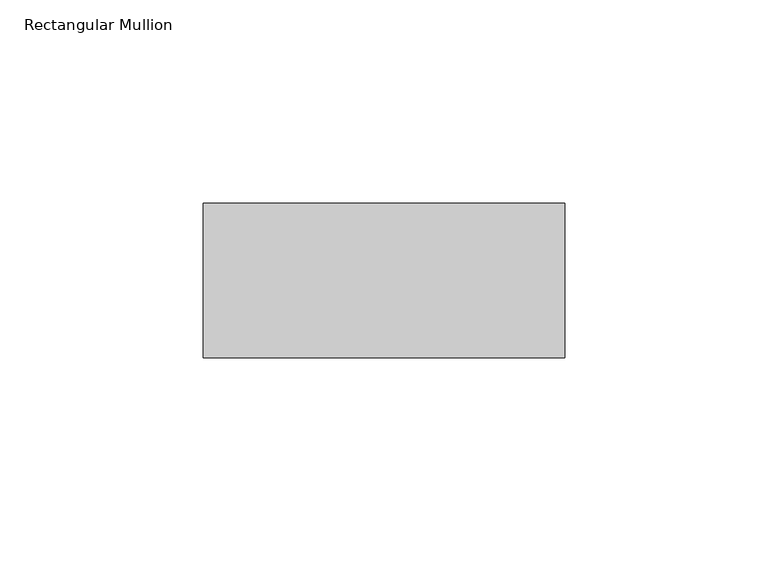
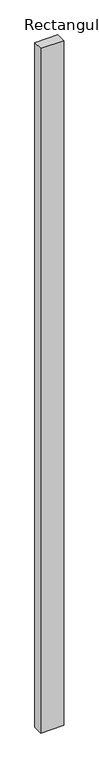
"""IFC4 building model written with IfcOpenShell, lengths in millimetres: member geometry, Rectangular Mullion."""

import ifcopenshell
import ifcopenshell.guid

model = None  # the IFC model being written
_history = None  # IfcOwnerHistory: only IFC2X3 demands one
_inside = {}  # id of a spatial element -> (the spatial element, [elements in it])
_under = {}  # id of a project, library or spatial element -> (it, [spatial elements below it])
_declared = {}  # id of a project -> (the project, [libraries it declares])
_typed = {}  # id of a type object -> (the type object, [elements of that type])
_made_of = {}  # id of a material, layer set ... -> (it, [elements and type objects made of it])


def new_model(schema):
    """Start an empty IFC model of exactly this schema.

    Asked for "IFC4X3", IfcOpenShell would pick the latest addendum, in which some entities
    have other attributes; the version numbers below select the first issue.
    IFC2X3 requires an IfcOwnerHistory on every rooted entity: one is made here for all.
    """
    global model, _history
    if schema == "IFC4X3":
        model = ifcopenshell.file(schema_version=(4, 3, 0, 0))
    else:
        model = ifcopenshell.file(schema=schema)
    _inside.clear()
    _under.clear()
    _declared.clear()
    _typed.clear()
    _made_of.clear()
    _history = None
    if model.schema == "IFC2X3":
        org = make("IfcOrganization", Name="unknown")
        user = make(
            "IfcPersonAndOrganization",
            ThePerson=make("IfcPerson", FamilyName="unknown"),
            TheOrganization=org,
        )
        app = make(
            "IfcApplication",
            ApplicationDeveloper=org,
            Version="unknown",
            ApplicationFullName="unknown",
            ApplicationIdentifier="unknown",
        )
        _history = make(
            "IfcOwnerHistory",
            OwningUser=user,
            OwningApplication=app,
            ChangeAction="ADDED",
            CreationDate=0,
        )
    return model


def make(cls, **values):
    """One entity of the class cls with the attributes given. An attribute that is None is left unset."""
    return model.create_entity(
        cls, **{name: value for name, value in values.items() if value is not None}
    )


def rooted(cls, **values):
    """An entity with a GlobalId (a new one), such as an element, a storey or a relation."""
    return make(cls, GlobalId=ifcopenshell.guid.new(), OwnerHistory=_history, **values)


def si_unit(unit_type, name, prefix=None):
    """IfcSIUnit, for example si_unit("LENGTHUNIT", "METRE", prefix="MILLI")."""
    return make("IfcSIUnit", UnitType=unit_type, Prefix=prefix, Name=name)


def assignment(units):
    """IfcUnitAssignment: the units of a project."""
    return None if units is None else make("IfcUnitAssignment", Units=units)


def point(xyz):
    """IfcCartesianPoint."""
    return None if xyz is None else make("IfcCartesianPoint", Coordinates=xyz)


def direction(xyz):
    """IfcDirection."""
    return None if xyz is None else make("IfcDirection", DirectionRatios=xyz)


def frame(location, z_axis=None, x_axis=None):
    """IfcAxis2Placement3D, a coordinate frame: its origin and axes. An axis left out is left unset."""
    return make(
        "IfcAxis2Placement3D",
        Location=point(location),
        Axis=direction(z_axis),
        RefDirection=direction(x_axis),
    )


def origin():
    """The frame at (0, 0, 0) with its axes left unset."""
    return frame((0.0, 0.0, 0.0))


def place(relative_to, where):
    """IfcLocalPlacement: puts the frame where relative to a parent placement (None: the world)."""
    return make(
        "IfcLocalPlacement", PlacementRelTo=relative_to, RelativePlacement=where
    )


def context(
    kind, dimensions, precision=None, world=None, true_north=None, identifier=None
):
    """IfcGeometricRepresentationContext, for example the 3D "Model" context."""
    return make(
        "IfcGeometricRepresentationContext",
        ContextIdentifier=identifier,
        ContextType=kind,
        CoordinateSpaceDimension=dimensions,
        Precision=precision,
        WorldCoordinateSystem=world,
        TrueNorth=true_north,
    )


def project(units=None, contexts=None):
    """IfcProject with its units and contexts."""
    return rooted(
        "IfcProject",
        Name="project",
        RepresentationContexts=contexts,
        UnitsInContext=assignment(units),
    )


def spatial(cls, under=None, at=None, **own):
    """A site, building, storey or space (cls), placed at a placement, below another one or the project."""
    s = rooted(cls, ObjectPlacement=at, **own)
    if under is not None:
        _under.setdefault(under.id(), (under, []))[1].append(s)
    return s


def polyline(points):
    """IfcPolyline through the points."""
    return make("IfcPolyline", Points=[point(p) for p in points])


def outline(outer, holes=None, kind="AREA"):
    """IfcArbitraryClosedProfileDef: a profile drawn as a closed curve; with holes, ...WithVoids."""
    if holes is None:
        return make("IfcArbitraryClosedProfileDef", ProfileType=kind, OuterCurve=outer)
    return make(
        "IfcArbitraryProfileDefWithVoids",
        ProfileType=kind,
        OuterCurve=outer,
        InnerCurves=holes,
    )


def extrude(swept, where, along, depth):
    """IfcExtrudedAreaSolid: the profile swept, set in the frame where, extruded along a direction by depth."""
    return make(
        "IfcExtrudedAreaSolid",
        SweptArea=swept,
        Position=where,
        ExtrudedDirection=direction(along),
        Depth=depth,
    )


def shape(context_of_items, identifier, shape_type, items):
    """IfcShapeRepresentation: the items that make up one representation, for example the "Body"."""
    return make(
        "IfcShapeRepresentation",
        ContextOfItems=context_of_items,
        RepresentationIdentifier=identifier,
        RepresentationType=shape_type,
        Items=items,
    )


def source(mapping_origin, context_of_items, identifier, shape_type, items):
    """IfcRepresentationMap: a shape defined once, which mapped items show again and again."""
    return make(
        "IfcRepresentationMap",
        MappingOrigin=mapping_origin,
        MappedRepresentation=shape(context_of_items, identifier, shape_type, items),
    )


def transform(
    local_origin,
    x_axis=None,
    y_axis=None,
    z_axis=None,
    scale=None,
    scale2=None,
    scale3=None,
    uniform=True,
):
    """IfcCartesianTransformationOperator3D, or its non-uniform kind. x_axis, y_axis, z_axis: its Axis1, 2, 3."""
    if uniform:
        return make(
            "IfcCartesianTransformationOperator3D",
            Axis1=direction(x_axis),
            Axis2=direction(y_axis),
            LocalOrigin=point(local_origin),
            Scale=scale,
            Axis3=direction(z_axis),
        )
    return make(
        "IfcCartesianTransformationOperator3DnonUniform",
        Axis1=direction(x_axis),
        Axis2=direction(y_axis),
        LocalOrigin=point(local_origin),
        Scale=scale,
        Axis3=direction(z_axis),
        Scale2=scale2,
        Scale3=scale3,
    )


def mapped(mapping_source, mapping_target):
    """IfcMappedItem: shows the shape of a source again, moved by a transform."""
    return make(
        "IfcMappedItem", MappingSource=mapping_source, MappingTarget=mapping_target
    )


def made_of(thing, what):
    """Note that an element or type object is made of a material, layer set ...; save() writes the relation."""
    if what is not None:
        _made_of.setdefault(what.id(), (what, []))[1].append(thing)
    return thing


def element(
    cls,
    number,
    at=None,
    inside=None,
    cuts=None,
    type_object=None,
    material=None,
    context=None,
    identifier="Body",
    shape_type=None,
    held_by="IfcProductDefinitionShape",
    body=None,
    shapes=None,
    **own,
):
    """One element of the class cls, such as IfcWall. Its Tag is "e" and its number.

    at: its placement. inside: the storey or other place that contains it. cuts: it is an
    opening in that element (IfcRelVoidsElement). A single representation is given by context,
    identifier, shape_type and body (its items); several are given by shapes. held_by: the class
    of the entity that holds the representations. save() writes the other relations.
    """
    e = rooted(cls, Tag="e%d" % number, ObjectPlacement=at, **own)
    if body is not None:
        shapes = [shape(context, identifier, shape_type, body)]
    if shapes is not None:
        e.Representation = make(held_by, Representations=shapes)
    if inside is not None:
        _inside.setdefault(inside.id(), (inside, []))[1].append(e)
    if cuts is not None:
        rooted(
            "IfcRelVoidsElement", RelatingBuildingElement=cuts, RelatedOpeningElement=e
        )
    if type_object is not None:
        _typed.setdefault(type_object.id(), (type_object, []))[1].append(e)
    return made_of(e, material)


def aggregate(whole, parts):
    """IfcRelAggregates: a whole, such as a stair, and the parts it consists of."""
    return rooted("IfcRelAggregates", RelatingObject=whole, RelatedObjects=parts)


def save(model, path):
    """Write the relations noted so far, then the file.

    IfcRelAggregates (storeys below a building ...), IfcRelContainedInSpatialStructure (elements
    in a storey), IfcRelDefinesByType, IfcRelAssociatesMaterial and IfcRelDeclares: one each for
    every whole, place, type object, material and project.
    """
    for whole, parts in _under.values():
        aggregate(whole, parts)
    for where, things in _inside.values():
        rooted(
            "IfcRelContainedInSpatialStructure",
            RelatedElements=things,
            RelatingStructure=where,
        )
    for kind, things in _typed.values():
        rooted("IfcRelDefinesByType", RelatedObjects=things, RelatingType=kind)
    for what, things in _made_of.values():
        rooted("IfcRelAssociatesMaterial", RelatedObjects=things, RelatingMaterial=what)
    for by, libraries in _declared.values():
        rooted("IfcRelDeclares", RelatingContext=by, RelatedDefinitions=libraries)
    model.write(path)


def rectangular_mullion_7e4909e3(model_context):
    return source(origin(), model_context, "Body", "SweptSolid", [
        extrude(outline(polyline([(0.0, 58.0), (0.0, 20.0), (-89.0, 20.0), (-89.0, 58.0), (0.0, 58.0)])), frame((0.0, 0.0, -2800.0), z_axis=(0.0, 0.0, 1.0), x_axis=(1.0, 0.0, 0.0)), (0.0, 0.0, 1.0), 2800.0),
    ])


if __name__ == "__main__":
    model = new_model("IFC4")
    model_context = context("Model", 3, world=origin())
    ifc_project = project(units=[si_unit("LENGTHUNIT", "METRE", prefix="MILLI")], contexts=[model_context])
    site = spatial("IfcSite", under=ifc_project)
    building = spatial("IfcBuilding", under=site)
    placement = place(None, origin())
    rectangular_mullion_shape = rectangular_mullion_7e4909e3(model_context)
    element("IfcMember", 1, ObjectType="Rectangular Mullion", at=placement, inside=building, context=model_context, shape_type="MappedRepresentation", body=[
        mapped(rectangular_mullion_shape, transform((0.0, 0.0, 0.0), x_axis=(1.0, 0.0, 0.0), y_axis=(0.0, 1.0, 0.0), z_axis=(0.0, 0.0, 1.0))),
    ])
    save(model, "model.ifc")
